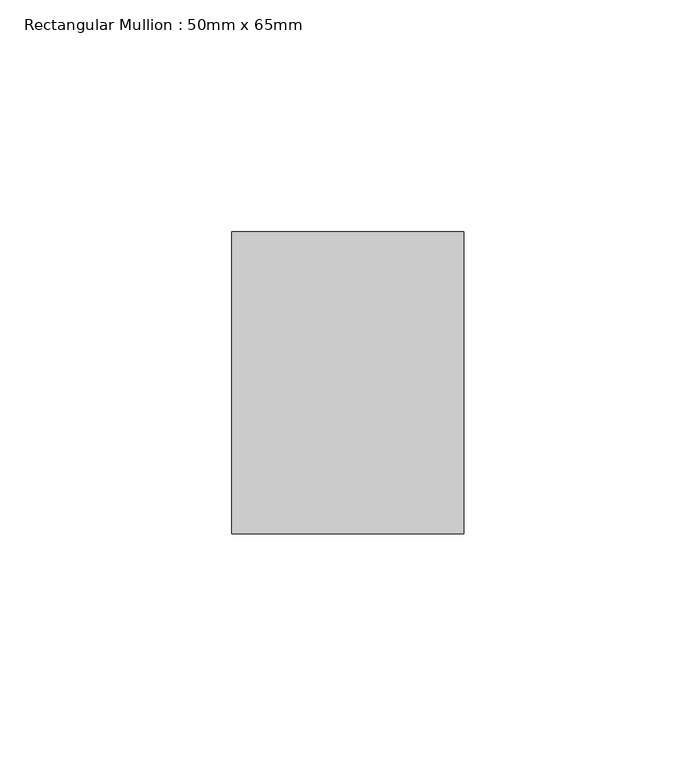
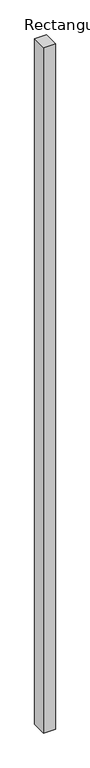
"""IFC4 building model written with IfcOpenShell, lengths in millimetres: member geometry, Rectangular Mullion : 50mm x 65mm."""

from ifc_helpers import new_model, si_unit, frame, origin, place, context, project, spatial, polyline, outline, extrude, source, transform, mapped, element, save


def rectangular_mullion_50mm_x_65mm_bddedddd(model_context):
    return source(origin(), model_context, "Body", "SweptSolid", [
        extrude(outline(polyline([(25.0, 32.5), (25.0, -32.5), (-25.0, -32.5), (-25.0, 32.5), (25.0, 32.5)])), frame((0.0, 0.0, -3078.7104883), z_axis=(0.0, 0.0, 1.0), x_axis=(1.0, 0.0, 0.0)), (0.0, 0.0, 1.0), 3078.7104883),
    ])


if __name__ == "__main__":
    model = new_model("IFC4")
    model_context = context("Model", 3, world=origin())
    ifc_project = project(units=[si_unit("LENGTHUNIT", "METRE", prefix="MILLI")], contexts=[model_context])
    site = spatial("IfcSite", under=ifc_project)
    building = spatial("IfcBuilding", under=site)
    placement = place(None, origin())
    rectangular_mullion_50mm_x_65mm_shape = rectangular_mullion_50mm_x_65mm_bddedddd(model_context)
    element("IfcMember", 1, ObjectType="Rectangular Mullion : 50mm x 65mm", at=placement, inside=building, context=model_context, shape_type="MappedRepresentation", body=[
        mapped(rectangular_mullion_50mm_x_65mm_shape, transform((0.0, 0.0, 0.0), x_axis=(1.0, 0.0, 0.0), y_axis=(0.0, 1.0, 0.0), z_axis=(0.0, 0.0, 1.0))),
    ])
    save(model, "model.ifc")
